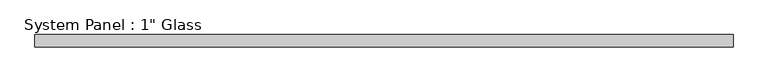
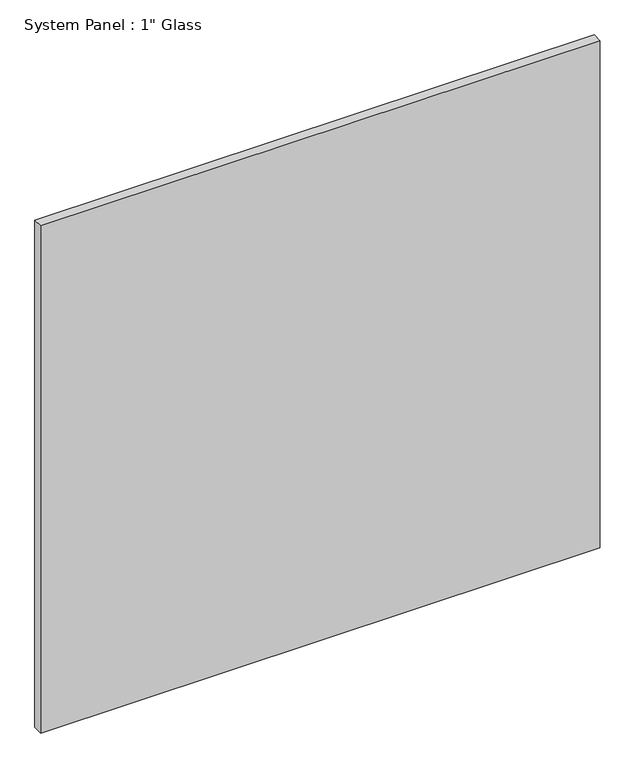
"""IFC4 building model written with IfcOpenShell, lengths in millimetres: plate geometry."""

from ifc_helpers import new_model, si_unit, origin, origin_with_axes, place, context, project, spatial, polyline, outline, extrude, source, transform, mapped, element, save


def plate_15459ba7(model_context):
    return source(origin(), model_context, "Body", "SweptSolid", [
        extrude(outline(polyline([(727.0767704, -12.7), (-727.0767704, -12.7), (-727.0767704, 12.7), (727.0767704, 12.7), (727.0767704, -12.7)])), origin_with_axes(), (0.0, 0.0, 1.0), 1393.1917704),
    ])


if __name__ == "__main__":
    model = new_model("IFC4")
    model_context = context("Model", 3, world=origin())
    ifc_project = project(units=[si_unit("LENGTHUNIT", "METRE", prefix="MILLI")], contexts=[model_context])
    site = spatial("IfcSite", under=ifc_project)
    building = spatial("IfcBuilding", under=site)
    placement = place(None, origin())
    plate_shape = plate_15459ba7(model_context)
    element("IfcPlate", 1, ObjectType="System Panel : 1\" Glass", at=placement, inside=building, context=model_context, shape_type="MappedRepresentation", body=[
        mapped(plate_shape, transform((0.0, 0.0, 0.0), x_axis=(1.0, 0.0, 0.0), y_axis=(0.0, 1.0, 0.0), z_axis=(0.0, 0.0, 1.0))),
    ])
    save(model, "model.ifc")
